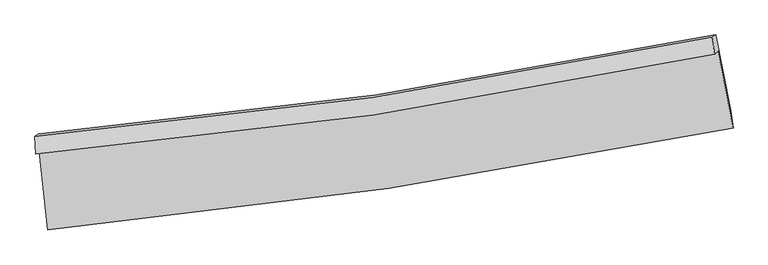
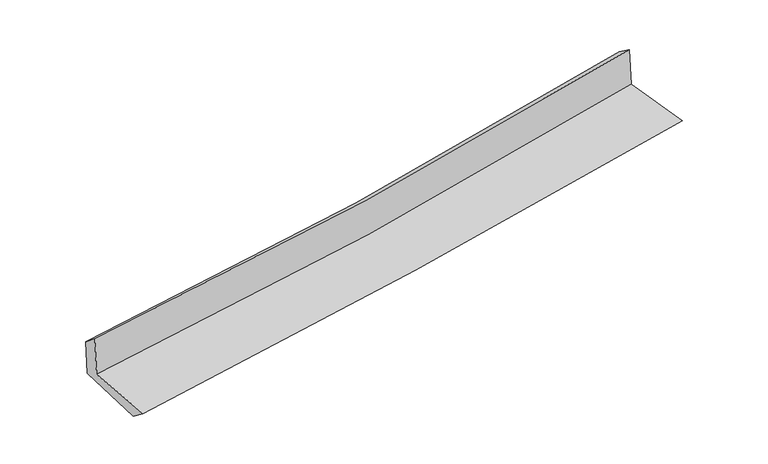
"""IFC4 building model written with IfcOpenShell, lengths in millimetres: proxy geometry."""

from ifc_helpers import new_model, si_unit, frame, origin, place, context, project, spatial, source, transform, mapped, element, save
from ifc_brep_helpers import plane_surface, spline_curve, spline_surface, advanced_brep


def generic_models_fc6631d9(model_context):
    return source(origin(), model_context, "Body", "AdvancedBrep", [
        advanced_brep(
        [(-2967.8173646, -1898.5287705, 1637.4772831), (-2895.3455636, -2584.0565954, 1607.7165338), (3060.2679024, -1693.9307727, 2109.2184638), (2930.1730607, -1027.2448381, 2140.0075465), (-2999.3445233, -1923.303472, 2040.7184044), (2899.4360783, -1051.3986024, 2533.1420932), (-3004.8023795, -1771.7633567, 1922.2297428), (2881.2912443, -907.5599349, 2429.4250998), (-2976.7691017, -1749.73422, 1563.6763304), (2909.7528508, -885.1942085, 2065.393243), (-2900.996207, -2428.1025352, 1486.1770177), (3038.8531135, -1542.2100018, 2025.1259578)],
        [
            (0, 1),
            (1, 2, spline_curve(3, [(-2895.3455636, -2584.0565954, 1607.7165338), (-1906.151074963, -2488.223266397, 1708.233404667), (-919.845002063, -2367.057868884, 1799.977106504), (1065.469055331, -2071.310201597, 1967.477215582), (2064.367470695, -1895.766991433, 2042.900823703), (3060.2679024, -1693.9307727, 2109.2184638)], [4, 2, 4], [0.0, 9.776501447972755, 19.736706583949562])),
            (2, 3),
            (3, 0, spline_curve(3, [(2930.1730607, -1027.2448381, 2140.0075465), (1946.869000961, -1234.491074724, 2057.490237998), (959.101875498, -1411.114593456, 1973.954889576), (-1007.058046311, -1700.423391797, 1806.407595296), (-1985.28772915, -1814.227850184, 1722.432855877), (-2967.8173646, -1898.5287705, 1637.4772831)], [4, 2, 4], [0.0, 9.960205135976807, 19.736706583949562])),
            (4, 0),
            (3, 5),
            (5, 4, spline_curve(3, [(2899.4360783, -1051.3986024, 2533.1420932), (1915.990795097, -1258.755815509, 2452.431073891), (928.086635282, -1435.487018673, 2370.648429261), (-1038.336525145, -1725.002675401, 2206.46803466), (-2016.692566116, -1838.906428643, 2124.10944957), (-2999.3445233, -1923.303472, 2040.7184044)], [4, 2, 4], [0.0, 9.911636659639697, 19.640465416864302])),
            (6, 4),
            (5, 7),
            (7, 6, spline_curve(3, [(2881.2912443, -907.5599349, 2429.4250998), (1900.13723882, -1111.566453126, 2341.139131002), (914.445075654, -1285.984112282, 2254.350270102), (-1047.751990211, -1572.970524881, 2085.339866578), (-2024.091034956, -1686.620672857, 2003.063608323), (-3004.8023795, -1771.7633567, 1922.2297428)], [4, 2, 4], [0.0, 9.9012214472933, 19.619827087905808])),
            (8, 6),
            (7, 9),
            (9, 8, spline_curve(3, [(2909.7528508, -885.1942085, 2065.393243), (1928.390632132, -1089.36434466, 1979.770377067), (942.558969791, -1263.891625492, 1894.765749448), (-1019.778360605, -1550.988261146, 1727.549373331), (-1996.120682495, -1664.640984269, 1645.315030204), (-2976.7691017, -1749.73422, 1563.6763304)], [4, 2, 4], [0.0, 9.890825430099062, 19.599226795220744])),
            (10, 8),
            (9, 11),
            (11, 10, spline_curve(3, [(3038.8531135, -1542.2100018, 2025.1259578), (2045.817050186, -1739.405118864, 1944.560604749), (1049.67573551, -1912.290005633, 1858.900501495), (-930.38752656, -2206.699042045, 1679.06465495), (-1914.195985529, -2329.111666468, 1585.075111914), (-2900.996207, -2428.1025352, 1486.1770177)], [4, 2, 4], [0.0, 9.938673893240297, 19.69404121566881])),
            (1, 10),
            (11, 2),
        ],
        [
            spline_surface(3, 3, [[(-2967.8173646, -1898.5287705, 1637.4772831), (-1985.287729158, -1814.227850142, 1722.432855891), (-1007.058046245, -1700.423391651, 1806.407595188), (959.101875431, -1411.114593605, 1973.954889686), (1946.869000999, -1234.49107467, 2057.490238151), (2930.1730607, -1027.2448381, 2140.0075465)], [(-2943.660097631, -2127.038045448, 1627.557033335), (-1958.908844446, -2038.892988905, 1717.699705496), (-977.987031486, -1922.634884126, 1804.264098958), (994.557601988, -1631.179796242, 1971.795664982), (1986.035157597, -1454.916380233, 2052.627100005), (2973.538007933, -1249.473482965, 2129.744518907)], [(-2919.502830569, -2355.547320452, 1617.636783565), (-1932.52995964, -2263.558127723, 1712.966555095), (-948.916016662, -2144.846376544, 1802.120602735), (1030.01332861, -1851.244998822, 1969.636440285), (2025.201314197, -1675.341685802, 2047.763961938), (3016.902955167, -1471.702127835, 2119.481491393)], [(-2895.3455636, -2584.0565954, 1607.7165338), (-1906.151074929, -2488.223266486, 1708.2334047), (-919.845001903, -2367.05786902, 1799.977106505), (1065.469055168, -2071.310201458, 1967.477215581), (2064.367470795, -1895.766991365, 2042.900823793), (3060.2679024, -1693.9307727, 2109.2184638)]], [4, 4], [4, 2, 4], [0.0, 2.199597258661382], [0.0, 9.776501447972755, 19.736706583949562]),
            spline_surface(3, 3, [[(-2999.3445233, -1923.303472, 2040.7184044), (-2016.692566227, -1838.906428744, 2124.109449544), (-1038.336525262, -1725.002675414, 2206.468034613), (928.086635401, -1435.48701866, 2370.648429309), (1915.990795011, -1258.755815422, 2452.431073785), (2899.4360783, -1051.3986024, 2533.1420932)], [(-2988.835470391, -1915.045238185, 1906.304697307), (-2006.224287195, -1830.680235895, 1990.217251667), (-1027.910365571, -1716.809580825, 2073.114554815), (938.425048763, -1427.362876974, 2238.417249445), (1926.283530347, -1250.667568486, 2320.784128572), (2909.681739106, -1043.347347615, 2402.097244299)], [(-2978.326417509, -1906.787004315, 1771.890990193), (-1995.75600819, -1822.454042991, 1856.325053768), (-1017.484205936, -1708.616486239, 1939.761074987), (948.763462069, -1419.238735291, 2106.186069551), (1936.576265664, -1242.579321606, 2189.137183363), (2919.927399894, -1035.296092885, 2271.052395401)], [(-2967.8173646, -1898.5287705, 1637.4772831), (-1985.287729158, -1814.227850142, 1722.432855891), (-1007.058046245, -1700.423391651, 1806.407595188), (959.101875431, -1411.114593605, 1973.954889686), (1946.869000999, -1234.49107467, 2057.490238151), (2930.1730607, -1027.2448381, 2140.0075465)]], [4, 4], [4, 2, 4], [0.0, 1.3133534211307125], [0.0, 9.728828757224605, 19.640465416864302]),
            spline_surface(3, 3, [[(-3004.8023795, -1771.7633567, 1922.2297428), (-2024.091034824, -1686.620672878, 2003.063608178), (-1047.751990071, -1572.970524896, 2085.339866525), (914.445075512, -1285.984112268, 2254.350270156), (1900.137238737, -1111.566452966, 2341.139130839), (2881.2912443, -907.5599349, 2429.4250998)], [(-3002.983094103, -1822.276728478, 1961.725963307), (-2021.624878628, -1737.382591511, 2043.412221941), (-1044.613501827, -1623.647908403, 2125.715922533), (918.992262116, -1335.8184144, 2293.116323186), (1905.421757494, -1160.629573804, 2378.23644517), (2887.339522299, -955.50615742, 2463.997430949)], [(-3001.163808697, -1872.790100222, 2001.222183893), (-2019.158722423, -1788.144510111, 2083.760835781), (-1041.475013506, -1674.325291906, 2166.091978604), (923.539448797, -1385.652716528, 2331.882376279), (1910.706276255, -1209.692694584, 2415.333759453), (2893.387800301, -1003.45237988, 2498.569762051)], [(-2999.3445233, -1923.303472, 2040.7184044), (-2016.692566227, -1838.906428744, 2124.109449544), (-1038.336525262, -1725.002675414, 2206.468034613), (928.086635401, -1435.48701866, 2370.648429309), (1915.990795011, -1258.755815422, 2452.431073785), (2899.4360783, -1051.3986024, 2533.1420932)]], [4, 4], [4, 2, 4], [0.0, 0.6305657626118657], [0.0, 9.718605640612507, 19.619827087905808]),
            spline_surface(3, 3, [[(-2976.7691017, -1749.73422, 1563.6763304), (-1996.120682513, -1664.640984344, 1645.315030265), (-1019.778360675, -1550.988261202, 1727.549373446), (942.558969862, -1263.891625436, 1894.765749332), (1928.39063217, -1089.364344754, 1979.770377024), (2909.7528508, -885.1942085, 2065.393243)], [(-2986.113527612, -1757.077265535, 1683.194134555), (-2005.444133262, -1671.967547157, 1764.564556258), (-1029.102903793, -1558.315682421, 1846.812871145), (933.187671759, -1271.255787701, 2014.627256279), (1918.972834348, -1096.765047472, 2100.226628307), (2900.265648622, -892.649450615, 2186.737195278)], [(-2995.457953588, -1764.420311165, 1802.711938645), (-2014.767584076, -1679.294110065, 1883.814082185), (-1038.427446953, -1565.643103676, 1966.076368826), (923.816373614, -1278.619950002, 2134.488763209), (1909.555036559, -1104.165750247, 2220.682879556), (2890.778446478, -900.104692785, 2308.081147522)], [(-3004.8023795, -1771.7633567, 1922.2297428), (-2024.091034824, -1686.620672878, 2003.063608178), (-1047.751990071, -1572.970524896, 2085.339866525), (914.445075512, -1285.984112268, 2254.350270156), (1900.137238737, -1111.566452966, 2341.139130839), (2881.2912443, -907.5599349, 2429.4250998)]], [4, 4], [4, 2, 4], [0.0, 1.182655576224343], [0.0, 9.708401365121683, 19.599226795220744]),
            spline_surface(3, 3, [[(-2900.996207, -2428.1025352, 1486.1770177), (-1914.195985573, -2329.111666487, 1585.075111759), (-930.387526642, -2206.699042048, 1679.064655042), (1049.675735592, -1912.290005631, 1858.900501401), (2045.817050153, -1739.405118919, 1944.560604841), (3038.8531135, -1542.2100018, 2025.1259578)], [(-2926.253838585, -2201.979763496, 1512.010121926), (-1941.504217904, -2107.621439135, 1605.155084587), (-960.184471324, -1988.12878178, 1695.226227837), (1013.970147011, -1696.157212246, 1870.855584038), (2006.674910814, -1522.724860879, 1956.297195568), (2995.819692589, -1323.204737382, 2038.5483862)], [(-2951.511470115, -1975.856991704, 1537.843226174), (-1968.812450182, -1886.131211696, 1625.235057437), (-989.981415993, -1769.55852147, 1711.387800651), (978.264558443, -1480.02441882, 1882.810666695), (1967.532771509, -1306.044602793, 1968.033786296), (2952.786271711, -1104.199472918, 2051.9708146)], [(-2976.7691017, -1749.73422, 1563.6763304), (-1996.120682513, -1664.640984344, 1645.315030265), (-1019.778360675, -1550.988261202, 1727.549373446), (942.558969862, -1263.891625436, 1894.765749332), (1928.39063217, -1089.364344754, 1979.770377024), (2909.7528508, -885.1942085, 2065.393243)]], [4, 4], [4, 2, 4], [0.0, 2.167698064889388], [0.0, 9.755367322428514, 19.69404121566881]),
            spline_surface(3, 3, [[(-2895.3455636, -2584.0565954, 1607.7165338), (-1906.151074929, -2488.223266486, 1708.2334047), (-919.845001903, -2367.05786902, 1799.977106505), (1065.469055168, -2071.310201458, 1967.477215581), (2064.367470795, -1895.766991365, 2042.900823793), (3060.2679024, -1693.9307727, 2109.2184638)], [(-2897.229111378, -2532.071908658, 1567.203361769), (-1908.832711788, -2435.186066477, 1667.180640389), (-923.359176797, -2313.604926673, 1759.672956031), (1060.204615328, -2018.303469494, 1931.284977535), (2058.183997266, -1843.646367221, 2010.120750809), (3053.129639452, -1643.357182404, 2081.187628467)], [(-2899.112659222, -2480.087221942, 1526.690189731), (-1911.514348713, -2382.148866495, 1626.12787607), (-926.873351748, -2260.151984394, 1719.368805516), (1054.940175432, -1965.296737596, 1895.092739447), (2052.000523682, -1791.525743063, 1977.340677824), (3045.991376448, -1592.783592096, 2053.156793133)], [(-2900.996207, -2428.1025352, 1486.1770177), (-1914.195985573, -2329.111666487, 1585.075111759), (-930.387526642, -2206.699042048, 1679.064655042), (1049.675735592, -1912.290005631, 1858.900501401), (2045.817050153, -1739.405118919, 1944.560604841), (3038.8531135, -1542.2100018, 2025.1259578)]], [4, 4], [4, 2, 4], [0.0, 0.6463423811792195], [0.0, 9.813471140981706, 19.811340642697402]),
            plane_surface(frame((2953.2957083, -1184.5897264, 2217.0520673), z_axis=(0.9784379029583493, 0.18686597737408295, 0.08797940983262426), x_axis=(-0.07780070146887809, -0.061137420207489995, 0.9950925920241409))),
            plane_surface(frame((-2957.5125233, -2059.2481583, 1709.6658854), z_axis=(-0.9913403952488862, -0.10116666998941619, -0.08372290983377653), x_axis=(-0.10503311082272003, 0.9935329203769138, 0.04313214298204365))),
        ],
        [
            (0, [[1, 2, 3, 4]]),
            (1, [[5, -4, 6, 7]]),
            (2, [[8, -7, 9, 10]]),
            (3, [[11, -10, 12, 13]]),
            (4, [[14, -13, 15, 16]]),
            (5, [[17, -16, 18, -2]]),
            (6, [[-12, -9, -6, -3, -18, -15]]),
            (7, [[-1, -5, -8, -11, -14, -17]]),
        ],
    ),
    ])


if __name__ == "__main__":
    model = new_model("IFC4")
    model_context = context("Model", 3, world=origin())
    ifc_project = project(units=[si_unit("LENGTHUNIT", "METRE", prefix="MILLI")], contexts=[model_context])
    site = spatial("IfcSite", under=ifc_project)
    building = spatial("IfcBuilding", under=site)
    placement = place(None, origin())
    generic_models_shape = generic_models_fc6631d9(model_context)
    element("IfcBuildingElementProxy", 1, Name="Generic Models", at=placement, inside=building, context=model_context, shape_type="MappedRepresentation", body=[
        mapped(generic_models_shape, transform((0.0, 0.0, 0.0), x_axis=(1.0, 0.0, 0.0), y_axis=(0.0, 1.0, 0.0), z_axis=(0.0, 0.0, 1.0))),
    ])
    save(model, "model.ifc")
